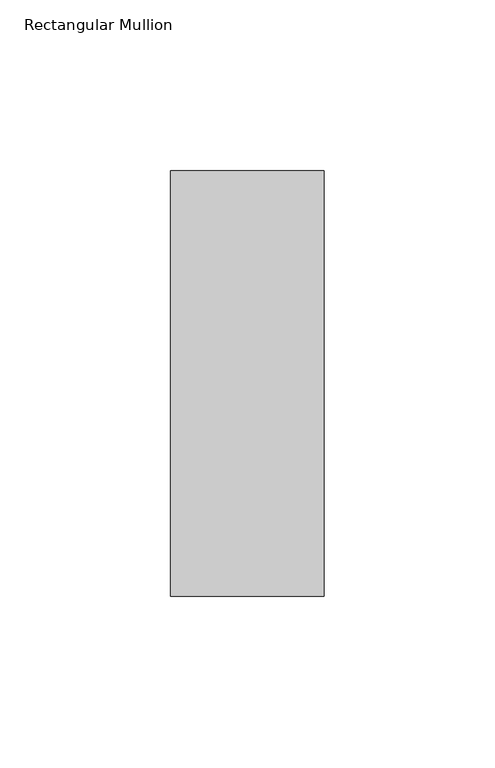
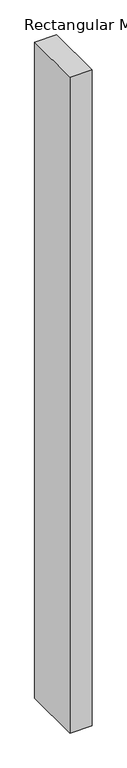
"""IFC4 building model written with IfcOpenShell, lengths in millimetres: member geometry, Rectangular Mullion."""

from ifc_helpers import new_model, si_unit, frame, origin, place, context, project, spatial, polyline, outline, extrude, source, transform, mapped, element, save


def rectangular_mullion_81e032ca(model_context):
    return source(origin(), model_context, "Body", "SweptSolid", [
        extrude(outline(polyline([(22.5, 77.84375), (22.5, -46.84375), (-22.5, -46.84375), (-22.5, 77.84375), (22.5, 77.84375)])), frame((0.0, 0.0, -1417.8794068), z_axis=(0.0, 0.0, 1.0), x_axis=(1.0, 0.0, 0.0)), (0.0, 0.0, 1.0), 1417.8794068),
    ])


if __name__ == "__main__":
    model = new_model("IFC4")
    model_context = context("Model", 3, world=origin())
    ifc_project = project(units=[si_unit("LENGTHUNIT", "METRE", prefix="MILLI")], contexts=[model_context])
    site = spatial("IfcSite", under=ifc_project)
    building = spatial("IfcBuilding", under=site)
    placement = place(None, origin())
    rectangular_mullion_shape = rectangular_mullion_81e032ca(model_context)
    element("IfcMember", 1, ObjectType="Rectangular Mullion", at=placement, inside=building, context=model_context, shape_type="MappedRepresentation", body=[
        mapped(rectangular_mullion_shape, transform((0.0, 0.0, 0.0), x_axis=(1.0, 0.0, 0.0), y_axis=(0.0, 1.0, 0.0), z_axis=(0.0, 0.0, 1.0))),
    ])
    save(model, "model.ifc")
